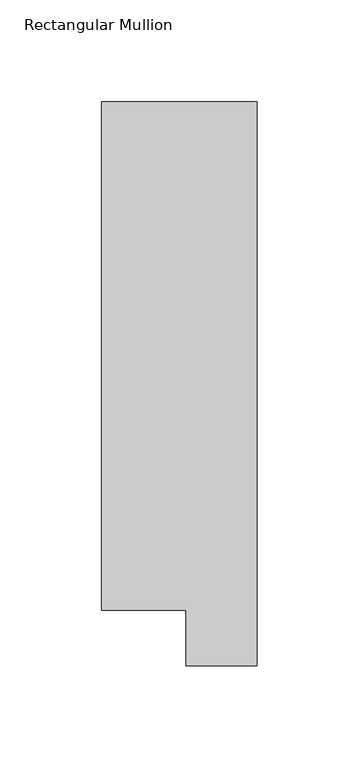
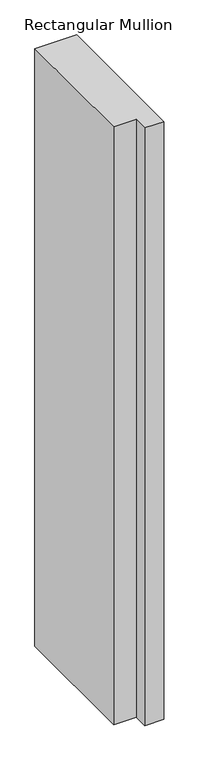
"""IFC4 building model written with IfcOpenShell, lengths in millimetres: member geometry, Rectangular Mullion."""

from ifc_helpers import new_model, si_unit, frame, origin, place, context, project, spatial, polyline, outline, extrude, source, transform, mapped, element, save


def rectangular_mullion_3493084c(model_context):
    return source(origin(), model_context, "Body", "SweptSolid", [
        extrude(outline(polyline([(0.0, 295.9695313), (0.0, 19.5667312), (-34.9123, 19.5667312), (-34.9123, 46.7447302), (-76.2, 46.7447302), (-76.2, 295.9695313), (0.0, 295.9695313)])), frame((0.0, 0.0, -1155.6999996), z_axis=(0.0, 0.0, 1.0), x_axis=(1.0, 0.0, 0.0)), (0.0, 0.0, 1.0), 1155.6999996),
    ])


if __name__ == "__main__":
    model = new_model("IFC4")
    model_context = context("Model", 3, world=origin())
    ifc_project = project(units=[si_unit("LENGTHUNIT", "METRE", prefix="MILLI")], contexts=[model_context])
    site = spatial("IfcSite", under=ifc_project)
    building = spatial("IfcBuilding", under=site)
    placement = place(None, origin())
    rectangular_mullion_shape = rectangular_mullion_3493084c(model_context)
    element("IfcMember", 1, ObjectType="Rectangular Mullion", at=placement, inside=building, context=model_context, shape_type="MappedRepresentation", body=[
        mapped(rectangular_mullion_shape, transform((0.0, 0.0, 0.0), x_axis=(1.0, 0.0, 0.0), y_axis=(0.0, 1.0, 0.0), z_axis=(0.0, 0.0, 1.0))),
    ])
    save(model, "model.ifc")
